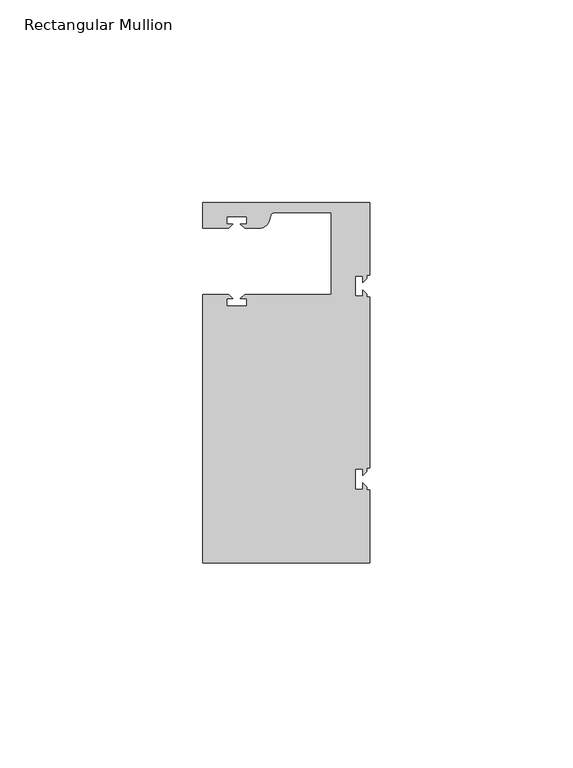
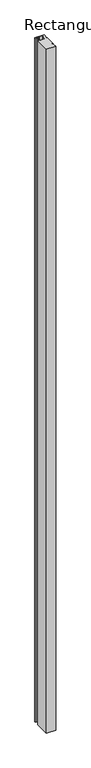
"""IFC4 building model written with IfcOpenShell, lengths in millimetres: member geometry, Rectangular Mullion."""

from ifc_helpers import new_model, si_unit, point, frame, frame_2d, origin, place, context, project, spatial, polyline, circle_curve, trimmed, segment, composite_curve, outline, extrude, source, transform, mapped, element, save


def rectangular_mullion_12e58d3d(model_context):
    return source(origin(), model_context, "Body", "SweptSolid", [
        extrude(outline(composite_curve([segment(polyline([(0.0, 44.45), (0.0, 26.5319902), (-0.79375, 26.5319902), (-0.79375, 25.7382402), (-1.7937657, 24.7382245), (-1.7937657, 26.3124974), (-3.5938131, 26.3124974), (-3.5938131, 21.3125026), (-1.7937657, 21.3125026), (-1.7937657, 22.88674), (-0.79375, 21.8867243), (-0.79375, 21.0930098), (0.0, 21.0930098), (0.0, -21.0930098), (-0.79375, -21.0930098), (-0.79375, -21.8867598), (-1.7937657, -22.8867755), (-1.7937657, -21.3125026), (-3.5938131, -21.3125026), (-3.5938131, -26.3124974), (-1.7937657, -26.3124974), (-1.7937657, -24.73826), (-0.79375, -25.7382757), (-0.79375, -26.5319902), (0.0, -26.5319902), (0.0, -44.45), (-41.275, -44.45), (-41.275, 21.749999), (-34.8007562, 21.749999), (-33.8007405, 20.7499834), (-35.3750134, 20.7499834), (-35.3750134, 18.949936), (-30.3750186, 18.949936), (-30.3750186, 20.7499834), (-31.949256, 20.7499834), (-30.9492434, 21.7499959), (-9.525, 21.7499959), (-9.525, 41.95), (-23.5599329, 41.95)]), True, "CONTINUOUS"), segment(trimmed(circle_curve(frame_2d((-23.5599329, 40.9500001)), 1.0), [point((-23.5599329, 41.95))], [point((-24.5258588, 41.2088192))], True, "CARTESIAN"), True, "CONTINUOUS"), segment(polyline([(-24.5258588, 41.2088192), (-24.8489707, 40.002949)]), True, "CONTINUOUS"), segment(trimmed(circle_curve(frame_2d((-27.2637853, 40.6499966)), 2.5), [point((-24.8489707, 40.002949))], [point((-27.2637853, 38.1499966))], False, "CARTESIAN"), True, "CONTINUOUS"), segment(polyline([(-27.2637853, 38.1499966), (-30.9492503, 38.1499966), (-31.949256, 39.1500023), (-30.3749831, 39.1500023), (-30.3749831, 40.9498819), (-35.3749778, 40.9498819), (-35.3749778, 39.1500023), (-33.8007405, 39.1500023), (-34.8007531, 38.1499897), (-41.2749977, 38.1499897), (-41.2749977, 44.45), (0.0, 44.45)]), True, "CONTINUOUS")], self_intersect=False)), frame((0.0, 0.0, -3225.8), z_axis=(0.0, 0.0, 1.0), x_axis=(1.0, 0.0, 0.0)), (0.0, 0.0, 1.0), 3225.8),
    ])


if __name__ == "__main__":
    model = new_model("IFC4")
    model_context = context("Model", 3, world=origin())
    ifc_project = project(units=[si_unit("LENGTHUNIT", "METRE", prefix="MILLI")], contexts=[model_context])
    site = spatial("IfcSite", under=ifc_project)
    building = spatial("IfcBuilding", under=site)
    placement = place(None, origin())
    rectangular_mullion_shape = rectangular_mullion_12e58d3d(model_context)
    element("IfcMember", 1, ObjectType="Rectangular Mullion", at=placement, inside=building, context=model_context, shape_type="MappedRepresentation", body=[
        mapped(rectangular_mullion_shape, transform((0.0, 0.0, 0.0), x_axis=(1.0, 0.0, 0.0), y_axis=(0.0, 1.0, 0.0), z_axis=(0.0, 0.0, 1.0))),
    ])
    save(model, "model.ifc")
